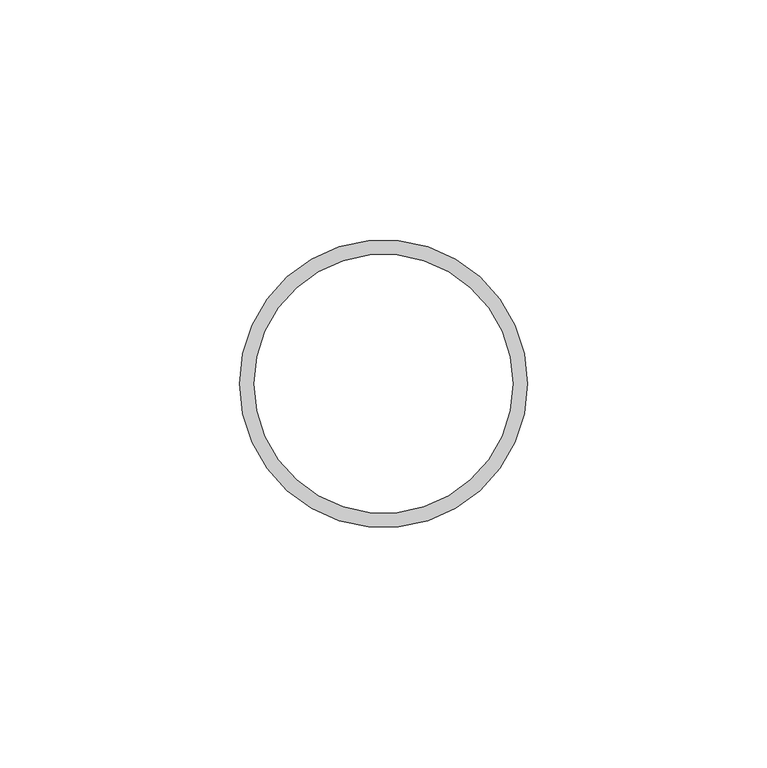
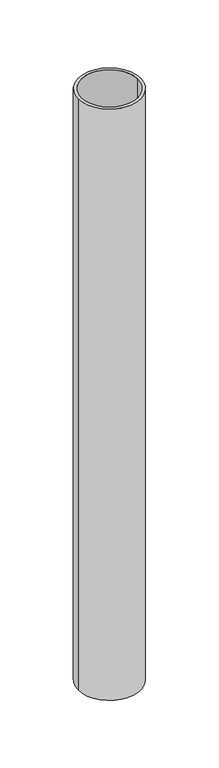
"""IFC4 building model written with IfcOpenShell, lengths in millimetres: beam geometry."""

from ifc_helpers import new_model, si_unit, point, frame, origin, origin_2d, place, context, project, spatial, circle_curve, trimmed, segment, composite_curve, outline, extrude, source, transform, mapped, element, save


def beam_be9584ac(model_context):
    return source(origin(), model_context, "Body", "SweptSolid", [
        extrude(outline(composite_curve([segment(trimmed(circle_curve(origin_2d(), 30.0), [point((30.0, 0.0))], [point((-30.0, 0.0))], False, "CARTESIAN"), True, "CONTINUOUS"), segment(trimmed(circle_curve(origin_2d(), 30.0), [point((-30.0, 0.0))], [point((30.0, 0.0))], False, "CARTESIAN"), True, "CONTINUOUS")], self_intersect=False), holes=[composite_curve([segment(trimmed(circle_curve(origin_2d(), 27.0), [point((27.0, 0.0))], [point((-27.0, 0.0))], True, "CARTESIAN"), True, "CONTINUOUS"), segment(trimmed(circle_curve(origin_2d(), 27.0), [point((-27.0, 0.0))], [point((27.0, 0.0))], True, "CARTESIAN"), True, "CONTINUOUS")], self_intersect=False)]), frame((0.0, 0.0, -600.0), z_axis=(0.0, 0.0, 1.0), x_axis=(1.0, 0.0, 0.0)), (0.0, 0.0, 1.0), 600.0),
    ])


if __name__ == "__main__":
    model = new_model("IFC4")
    model_context = context("Model", 3, world=origin())
    ifc_project = project(units=[si_unit("LENGTHUNIT", "METRE", prefix="MILLI")], contexts=[model_context])
    site = spatial("IfcSite", under=ifc_project)
    building = spatial("IfcBuilding", under=site)
    placement = place(None, origin())
    beam_shape = beam_be9584ac(model_context)
    element("IfcBeam", 1, at=placement, inside=building, context=model_context, shape_type="MappedRepresentation", body=[
        mapped(beam_shape, transform((0.0, 0.0, 0.0), x_axis=(1.0, 0.0, 0.0), y_axis=(0.0, 1.0, 0.0), z_axis=(0.0, 0.0, 1.0))),
    ])
    save(model, "model.ifc")
